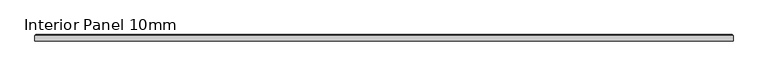
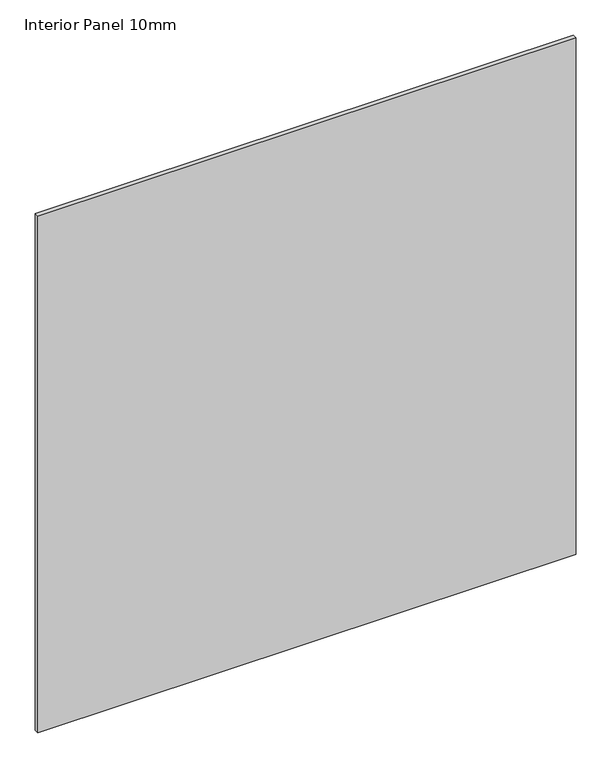
"""IFC4 building model written with IfcOpenShell, lengths in millimetres: proxy geometry, Interior Panel 10mm."""

from ifc_helpers import new_model, si_unit, origin, place, context, project, spatial, faceted_brep, source, transform, mapped, element, save


def interior_panel_10mm_e8889a8b(model_context):
    return source(origin(), model_context, "Body", "Brep", [
        faceted_brep([(1050.925, -9.525, 1066.8), (1050.925, -1.5875, 1066.8), (0.0, -1.5875, 1066.8), (0.0, -9.525, 1066.8), (1050.925, -9.525, 0.0), (0.0, -9.525, 0.0), (0.0, -1.5875, 0.0), (1050.925, -1.5875, 0.0), (1.5875, 0.0, 1065.2125), (1049.3375, 0.0, 1065.2125), (1049.3375, 0.0, 1.5875), (1.5875, 0.0, 1.5875)], [[[0, 1, 2, 3]], [[4, 5, 6, 7]], [[3, 5, 4, 0]], [[2, 6, 5, 3]], [[8, 9, 10, 11]], [[0, 4, 7, 1]], [[2, 8, 11, 6]], [[7, 10, 9, 1]], [[1, 9, 8, 2]], [[6, 11, 10, 7]]]),
    ])


if __name__ == "__main__":
    model = new_model("IFC4")
    model_context = context("Model", 3, world=origin())
    ifc_project = project(units=[si_unit("LENGTHUNIT", "METRE", prefix="MILLI")], contexts=[model_context])
    site = spatial("IfcSite", under=ifc_project)
    building = spatial("IfcBuilding", under=site)
    placement = place(None, origin())
    interior_panel_10mm_shape = interior_panel_10mm_e8889a8b(model_context)
    element("IfcBuildingElementProxy", 1, Name="Interior Panel 10mm", ObjectType="Interior Panel 10mm", at=placement, inside=building, context=model_context, shape_type="MappedRepresentation", body=[
        mapped(interior_panel_10mm_shape, transform((0.0, 0.0, 0.0), x_axis=(1.0, 0.0, 0.0), y_axis=(0.0, 1.0, 0.0), z_axis=(0.0, 0.0, 1.0))),
    ])
    save(model, "model.ifc")
